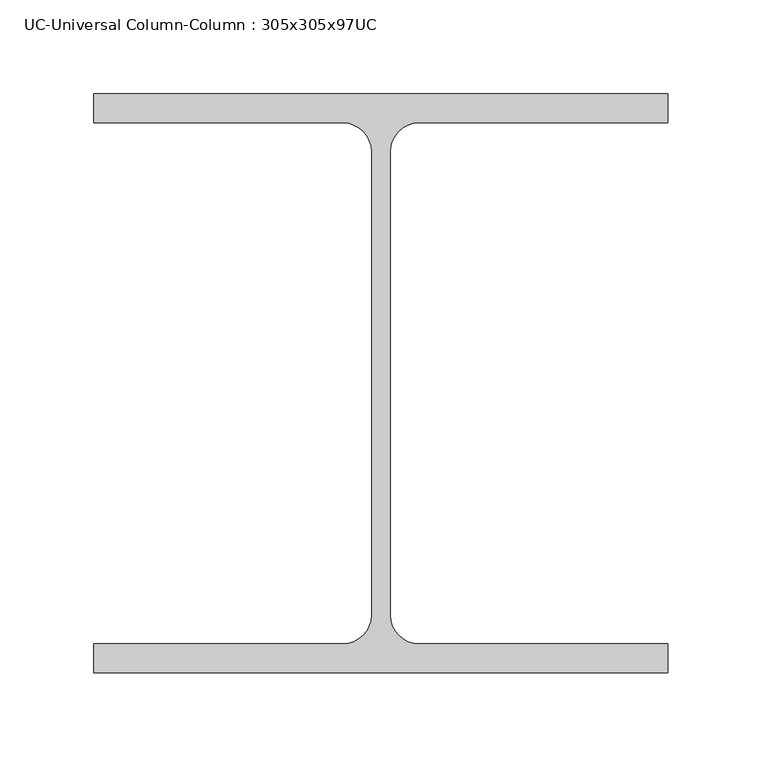
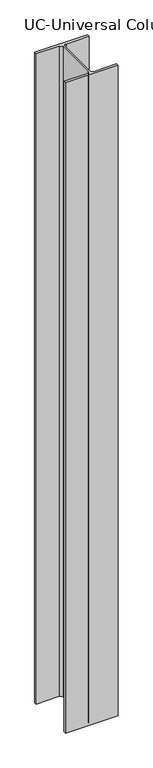
"""IFC4 building model written with IfcOpenShell, lengths in millimetres: column geometry, UC-Universal Column-Column : 305x305x97UC."""

from ifc_helpers import new_model, si_unit, point, frame_2d, origin, origin_with_axes, place, context, project, spatial, polyline, circle_curve, trimmed, segment, composite_curve, outline, extrude, source, transform, mapped, element, save


def uc_universal_column_column_305x305x97uc_3b4fff0a(model_context):
    return source(origin(), model_context, "Body", "SweptSolid", [
        extrude(outline(composite_curve([segment(polyline([(152.65, 153.95), (152.65, 138.55), (20.15, 138.55)]), True, "CONTINUOUS"), segment(trimmed(circle_curve(frame_2d((20.15, 123.35)), 15.2), [point((20.15, 138.55))], [point((4.95, 123.35))], True, "CARTESIAN"), True, "CONTINUOUS"), segment(polyline([(4.95, 123.35), (4.95, -123.35)]), True, "CONTINUOUS"), segment(trimmed(circle_curve(frame_2d((20.15, -123.35)), 15.2), [point((4.95, -123.35))], [point((20.15, -138.55))], True, "CARTESIAN"), True, "CONTINUOUS"), segment(polyline([(20.15, -138.55), (152.65, -138.55), (152.65, -153.95), (-152.65, -153.95), (-152.65, -138.55), (-20.15, -138.55)]), True, "CONTINUOUS"), segment(trimmed(circle_curve(frame_2d((-20.15, -123.35)), 15.2), [point((-20.15, -138.55))], [point((-4.95, -123.35))], True, "CARTESIAN"), True, "CONTINUOUS"), segment(polyline([(-4.95, -123.35), (-4.95, 123.35)]), True, "CONTINUOUS"), segment(trimmed(circle_curve(frame_2d((-20.15, 123.35)), 15.2), [point((-4.95, 123.35))], [point((-20.15, 138.55))], True, "CARTESIAN"), True, "CONTINUOUS"), segment(polyline([(-20.15, 138.55), (-152.65, 138.55), (-152.65, 153.95), (152.65, 153.95)]), True, "CONTINUOUS")], self_intersect=False)), origin_with_axes(), (0.0, 0.0, 1.0), 3975.0),
    ])


if __name__ == "__main__":
    model = new_model("IFC4")
    model_context = context("Model", 3, world=origin())
    ifc_project = project(units=[si_unit("LENGTHUNIT", "METRE", prefix="MILLI")], contexts=[model_context])
    site = spatial("IfcSite", under=ifc_project)
    building = spatial("IfcBuilding", under=site)
    placement = place(None, origin())
    uc_universal_column_column_305x305x97uc_shape = uc_universal_column_column_305x305x97uc_3b4fff0a(model_context)
    element("IfcColumn", 1, ObjectType="UC-Universal Column-Column : 305x305x97UC", at=placement, inside=building, context=model_context, shape_type="MappedRepresentation", body=[
        mapped(uc_universal_column_column_305x305x97uc_shape, transform((0.0, 0.0, 0.0), x_axis=(1.0, 0.0, 0.0), y_axis=(0.0, 1.0, 0.0), z_axis=(0.0, 0.0, 1.0))),
    ])
    save(model, "model.ifc")
